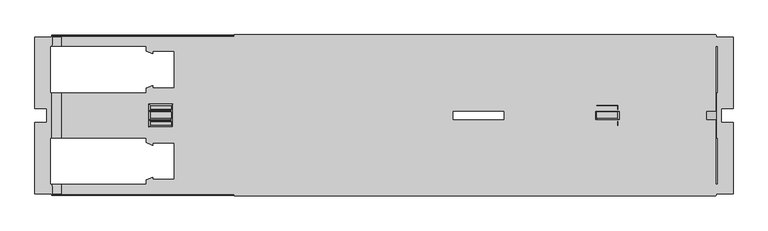
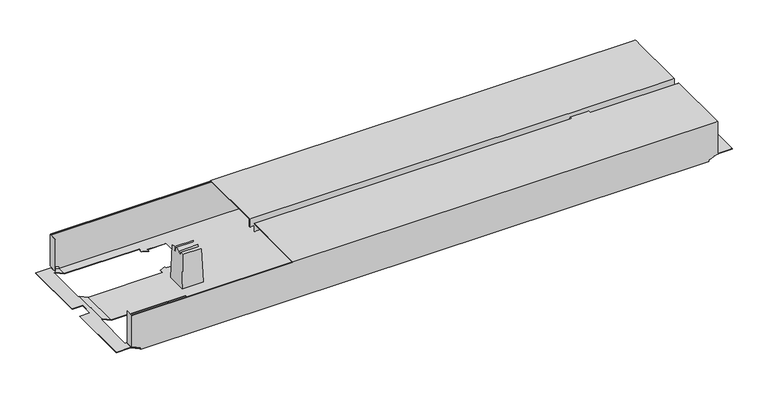
"""IFC4 building model written with IfcOpenShell, lengths in millimetres: furniture geometry."""

from ifc_helpers import new_model, si_unit, origin, place, context, project, spatial, triangles, source, transform, mapped, element, save


def furniture_ad09df2f(model_context):
    return source(origin(), model_context, "Body", "Tessellation", [
        triangles([(2002.0152048, -262.1618406, 526.9999909), (2002.0152048, -262.1618406, 507.9999879), (3030.0151022, -262.1618406, 526.9999909), (3030.0151022, -262.1618406, 507.9999879), (2002.0152048, -423.2618455, 526.9999909), (3030.0151022, -423.2618455, 526.9999909), (2002.0152048, -423.2618455, 507.9999879), (3030.0151022, -423.2618455, 507.9999879), (2002.0152048, -424.261839, 507.9999879), (3030.0151022, -424.261839, 507.9999879), (2002.0152048, -424.261839, 528.0000026), (3030.0151022, -424.261839, 528.0000026), (2002.0152048, -261.161838, 528.0000026), (3030.0151022, -261.161838, 528.0000026), (2002.0152048, -261.161838, 507.9999879), (3030.0151022, -261.161838, 507.9999879), (2002.0152048, -444.0618295, 526.9999909), (2002.0152048, -444.0618295, 507.9999879), (3030.0151022, -444.0618295, 526.9999909), (3030.0151022, -444.0618295, 507.9999879), (2002.0152048, -605.1618435, 526.9999909), (3030.0151022, -605.1618435, 526.9999909), (2002.0152048, -605.1618435, 507.9999879), (3030.0151022, -605.1618435, 507.9999879), (2002.0152048, -606.1618552, 507.9999879), (3030.0151022, -606.1618552, 507.9999879), (2002.0152048, -606.1618552, 528.0000026), (3030.0151022, -606.1618552, 528.0000026), (2002.0152048, -443.0618542, 528.0000026), (3030.0151022, -443.0618542, 528.0000026), (2002.0152048, -443.0618542, 507.9999879), (3030.0151022, -443.0618542, 507.9999879), (1634.5151075, -605.1618435, 432.000012), (3009.5151907, -605.1618435, 432.000012), (1634.5151075, -605.1618435, 435.9999859), (3009.5151907, -605.1618435, 435.9999859), (1614.5151655, -605.1618435, 445.3260155), (3029.5151327, -605.1618435, 445.3260155), (1614.5151655, -605.1618435, 526.0000156), (3029.5151327, -605.1618435, 526.0000156), (3031.5150106, -605.1618435, 445.3260155), (3031.5150106, -605.1618435, 526.0000156), (1612.5151422, -605.1618435, 526.0000156), (1612.5151422, -605.1618435, 445.3260155), (2579.1150083, -394.4618411, 432.000012), (2769.4150205, -492.4618549, 432.000012), (2579.1150083, -472.8618521, 432.000012), (2769.4150205, -570.8618296, 432.000012), (2518.9151945, -483.661847, 432.000012), (1874.6151323, -570.8618296, 432.000012), (2468.9150488, -483.661847, 432.000012), (1874.6151323, -492.4618549, 432.000012), (1874.6151323, -374.8618383, 432.000012), (1814.4151731, -385.6618332, 432.000012), (1828.2152029, -374.8618383, 432.000012), (1814.4151731, -375.3778497, 432.000012), (1828.2152029, -369.6618468, 432.000012), (2532.7152242, -394.4618411, 432.000012), (2518.9151945, -383.6618462, 432.000012), (2769.4150205, -296.4618454, 432.000012), (2769.4150205, -374.8618383, 432.000012), (2532.7152242, -399.6618507, 432.000012), (2518.9151945, -394.0438433, 432.000012), (1874.6151323, -296.4618454, 432.000012), (2468.9150488, -383.6618462, 432.000012), (2532.7152242, -472.8618521, 432.000012), (2518.9151945, -473.2798499, 432.000012), (2532.7152242, -467.6618425, 432.000012), (1814.4151731, -581.6618245, 432.000012), (2829.615125, -581.6618245, 432.000012), (3009.5151907, -601.6618392, 432.000012), (3010.5151296, -581.6618245, 432.000012), (3010.5151296, -601.6618392, 432.000012), (1634.5151075, -601.6618392, 432.000012), (1633.5151685, -581.6618245, 432.000012), (1633.5151685, -601.6618392, 432.000012), (1814.4151731, -571.3778592, 432.000012), (1828.2152029, -570.8618296, 432.000012), (2815.8150953, -570.8618296, 432.000012), (1828.2152029, -565.6618563, 432.000012), (1814.4151731, -481.66186, 432.000012), (1828.2152029, -492.4618549, 432.000012), (1814.4151731, -491.9458253, 432.000012), (1828.2152029, -497.6618282, 432.000012), (1633.5151685, -481.66186, 432.000012), (1633.5151685, -385.6618332, 432.000012), (1828.2152029, -296.4618454, 432.000012), (1814.4151731, -285.6618415, 432.000012), (2829.615125, -285.6618415, 432.000012), (2815.8150953, -296.4618454, 432.000012), (2829.615125, -295.945834, 432.000012), (2815.8150953, -301.6618369, 432.000012), (1828.2152029, -301.6618369, 432.000012), (1814.4151731, -295.945834, 432.000012), (1633.5151685, -285.6618415, 432.000012), (1634.5151075, -265.661845, 432.000012), (1634.5151075, -262.1618406, 432.000012), (3009.5151907, -262.1618406, 432.000012), (1633.5151685, -265.661845, 432.000012), (3009.5151907, -265.661845, 432.000012), (3010.5151296, -285.6618415, 432.000012), (3010.5151296, -265.661845, 432.000012), (2815.8150953, -374.8618383, 432.000012), (2829.615125, -385.6618332, 432.000012), (2829.615125, -481.66186, 432.000012), (2815.8150953, -492.4618549, 432.000012), (2829.615125, -491.9458253, 432.000012), (2815.8150953, -497.6618282, 432.000012), (2815.8150953, -369.6618468, 432.000012), (2829.615125, -375.3778497, 432.000012), (3010.5151296, -385.6618332, 432.000012), (3010.5151296, -481.66186, 432.000012), (2815.8150953, -565.6618563, 432.000012), (2829.615125, -571.3778592, 432.000012), (2579.1150083, -472.8618521, 432.9999873), (2769.4150205, -374.8618383, 432.9999873), (2579.1150083, -394.4618411, 432.9999873), (2769.4150205, -296.4618454, 432.9999873), (2518.9151945, -383.6618462, 432.9999873), (1874.6151323, -296.4618454, 432.9999873), (2468.9150488, -383.6618462, 432.9999873), (1874.6151323, -374.8618383, 432.9999873), (1874.6151323, -492.4618549, 432.9999873), (1814.4151731, -481.66186, 432.9999873), (1828.2152029, -492.4618549, 432.9999873), (1814.4151731, -491.9458253, 432.9999873), (1828.2152029, -497.6618282, 432.9999873), (2532.7152242, -472.8618521, 432.9999873), (2518.9151945, -483.661847, 432.9999873), (2769.4150205, -570.8618296, 432.9999873), (2769.4150205, -492.4618549, 432.9999873), (2532.7152242, -467.6618425, 432.9999873), (2518.9151945, -473.2798499, 432.9999873), (1874.6151323, -570.8618296, 432.9999873), (2468.9150488, -483.661847, 432.9999873), (2532.7152242, -394.4618411, 432.9999873), (2518.9151945, -394.0438433, 432.9999873), (2532.7152242, -399.6618507, 432.9999873), (3010.2930502, -285.6618415, 432.9999873), (3009.5151907, -265.661845, 432.9999873), (2829.615125, -285.6618415, 432.9999873), (3009.5151907, -263.1618431, 432.9999873), (1814.4151731, -285.6618415, 432.9999873), (1634.5151075, -263.1618431, 432.9999873), (1634.5151075, -265.661845, 432.9999873), (3010.2930502, -265.661845, 432.9999873), (1633.7371027, -265.661845, 432.9999873), (1633.7371027, -285.6618415, 432.9999873), (1814.4151731, -295.945834, 432.9999873), (1828.2152029, -296.4618454, 432.9999873), (2815.8150953, -296.4618454, 432.9999873), (1828.2152029, -301.6618369, 432.9999873), (1814.4151731, -385.6618332, 432.9999873), (1828.2152029, -374.8618383, 432.9999873), (1814.4151731, -375.3778497, 432.9999873), (1828.2152029, -369.6618468, 432.9999873), (1633.7371027, -385.6618332, 432.9999873), (1633.7371027, -481.66186, 432.9999873), (1828.2152029, -570.8618296, 432.9999873), (1814.4151731, -581.6618245, 432.9999873), (2829.615125, -581.6618245, 432.9999873), (2815.8150953, -570.8618296, 432.9999873), (2829.615125, -571.3778592, 432.9999873), (2815.8150953, -565.6618563, 432.9999873), (1828.2152029, -565.6618563, 432.9999873), (1814.4151731, -571.3778592, 432.9999873), (1633.7371027, -581.6618245, 432.9999873), (1634.5151075, -601.6618392, 432.9999873), (1634.5151075, -604.1618319, 432.9999873), (3009.5151907, -604.1618319, 432.9999873), (1633.7371027, -601.6618392, 432.9999873), (3009.5151907, -601.6618392, 432.9999873), (3010.2930502, -581.6618245, 432.9999873), (3010.2930502, -601.6618392, 432.9999873), (2815.8150953, -492.4618549, 432.9999873), (2829.615125, -481.66186, 432.9999873), (2829.615125, -385.6618332, 432.9999873), (2815.8150953, -374.8618383, 432.9999873), (2829.615125, -375.3778497, 432.9999873), (2815.8150953, -369.6618468, 432.9999873), (2815.8150953, -497.6618282, 432.9999873), (2829.615125, -491.9458253, 432.9999873), (3010.2930502, -481.66186, 432.9999873), (3010.2930502, -385.6618332, 432.9999873), (2815.8150953, -301.6618369, 432.9999873), (2829.615125, -295.945834, 432.9999873), (1634.5151075, -604.1618319, 435.9999859), (3009.5151907, -604.1618319, 435.9999859), (1614.5151655, -604.1618319, 445.3260155), (3029.5151327, -604.1618319, 445.3260155), (3029.5151327, -604.1618319, 511.9999981), (3030.5150716, -604.1618319, 445.3260155), (3030.5150716, -604.1618319, 526.0000156), (3029.5151327, -604.1618319, 526.0000156), (1614.5151655, -604.1618319, 511.9999981), (1613.5150812, -604.1618319, 445.3260155), (1613.5150812, -604.1618319, 526.0000156), (1614.5151655, -604.1618319, 526.0000156), (1614.5151655, -264.1618457, 526.0000156), (3029.5151327, -264.1618457, 526.0000156), (1614.5151655, -263.8688403, 526.7069856), (3029.5151327, -263.8688403, 526.7069856), (1614.5151655, -263.1618431, 526.9999909), (3029.5151327, -263.1618431, 526.9999909), (1614.5151655, -262.4548459, 526.7069856), (3029.5151327, -262.4548459, 526.7069856), (1614.5151655, -262.1618406, 526.0000156), (3029.5151327, -262.1618406, 526.0000156), (1614.5151655, -264.1618457, 511.9999981), (3029.5151327, -264.1618457, 511.9999981), (1614.5151655, -263.1618431, 511.9999981), (3029.5151327, -263.1618431, 511.9999981), (1614.5151655, -603.1618566, 511.9999981), (3029.5151327, -603.1618566, 511.9999981), (1614.5151655, -603.1618566, 526.0000156), (3029.5151327, -603.1618566, 526.0000156), (1614.5151655, -604.8688382, 526.7069856), (3029.5151327, -604.8688382, 526.7069856), (1614.5151655, -604.1618319, 526.9999909), (3029.5151327, -604.1618319, 526.9999909), (1614.5151655, -603.4548256, 526.7069856), (3029.5151327, -603.4548256, 526.7069856), (1614.5151655, -262.1618406, 445.3260155), (1612.5151422, -262.1618406, 445.3260155), (1612.5151422, -262.1618406, 526.0000156), (3029.5151327, -262.1618406, 445.3260155), (3031.5150106, -262.1618406, 526.0000156), (3031.5150106, -262.1618406, 445.3260155), (1634.5151075, -262.1618406, 435.9999859), (3009.5151907, -262.1618406, 435.9999859), (3029.5151327, -263.1618431, 445.3260155), (1614.5151655, -263.1618431, 445.3260155), (3009.5151907, -263.1618431, 435.9999859), (1634.5151075, -263.1618431, 435.9999859), (3030.5150716, -263.1618431, 445.3260155), (3030.5150716, -263.1618431, 526.0000156), (3029.5151327, -263.1618431, 526.0000156), (1613.5150812, -263.1618431, 445.3260155), (1613.5150812, -263.1618431, 526.0000156), (1614.5151655, -263.1618431, 526.0000156), (3031.9600416, -481.66186, 441.999983), (3031.9600416, -385.6618332, 441.999983), (3034.6151121, -481.66186, 441.999983), (3034.6151121, -385.6618332, 441.999983), (3042.5152113, -418.6618356, 441.999983), (3034.6151121, -285.6618415, 441.999983), (3067.5151388, -265.661845, 441.999983), (3031.9600416, -265.661845, 441.999983), (3031.9600416, -285.6618415, 441.999983), (3067.5151388, -418.6618356, 441.999983), (3042.5152113, -448.6618394, 441.999983), (3034.6151121, -581.6618245, 441.999983), (3067.5151388, -601.6618392, 441.999983), (3031.9600416, -601.6618392, 441.999983), (3067.5151388, -448.6618394, 441.999983), (3031.9600416, -581.6618245, 441.999983), (3034.6151121, -481.66186, 442.9999947), (3034.6151121, -581.6618245, 442.9999947), (3031.7382528, -385.6618332, 442.9999947), (3031.7382528, -481.66186, 442.9999947), (3034.6151121, -285.6618415, 442.9999947), (3034.6151121, -385.6618332, 442.9999947), (3042.5152113, -418.6618356, 442.9999947), (3067.5151388, -265.661845, 442.9999947), (3031.7382528, -265.661845, 442.9999947), (3042.5152113, -448.6618394, 442.9999947), (3067.5151388, -601.6618392, 442.9999947), (3031.7382528, -601.6618392, 442.9999947), (3031.7382528, -581.6618245, 442.9999947), (3067.5151388, -448.6618394, 442.9999947), (3067.5151388, -418.6618356, 442.9999947), (3031.7382528, -285.6618415, 442.9999947), (3030.5150716, -282.1618462, 526.0000156), (3030.5150716, -282.1618462, 445.3260155), (3031.5150106, -282.1618462, 445.3260155), (3031.5150106, -282.1618462, 526.0000156), (3030.5150716, -585.1618289, 445.3260155), (3030.5150716, -585.1618289, 526.0000156), (3031.5150106, -585.1618289, 445.3260155), (3031.5150106, -585.1618289, 526.0000156), (1612.5151422, -585.1618289, 526.0000156), (1612.5151422, -585.1618289, 445.3260155), (1613.5150812, -585.1618289, 526.0000156), (1613.5150812, -585.1618289, 445.3260155), (1612.5151422, -282.1618462, 445.3260155), (1612.5151422, -282.1618462, 526.0000156), (1613.5150812, -282.1618462, 445.3260155), (1613.5150812, -282.1618462, 526.0000156), (1612.2921907, -385.6618332, 442.9999947), (1612.2921907, -481.66186, 442.9999947), (1612.0701112, -481.66186, 441.999983), (1612.0701112, -385.6618332, 441.999983), (1609.4151861, -581.6618245, 441.999983), (1601.5150869, -448.6618394, 441.999983), (1609.4151861, -481.66186, 441.999983), (1601.5150869, -418.6618356, 441.999983), (1609.4151861, -385.6618332, 441.999983), (1609.4151861, -285.6618415, 441.999983), (1576.5151594, -265.661845, 441.999983), (1612.0701112, -265.661845, 441.999983), (1612.0701112, -581.6618245, 441.999983), (1612.0701112, -601.6618392, 441.999983), (1576.5151594, -601.6618392, 441.999983), (1576.5151594, -448.6618394, 441.999983), (1576.5151594, -418.6618356, 441.999983), (1612.0701112, -285.6618415, 441.999983), (1576.5151594, -448.6618394, 442.9999947), (1576.5151594, -601.6618392, 442.9999947), (1601.5150869, -448.6618394, 442.9999947), (1609.4151861, -581.6618245, 442.9999947), (1609.4151861, -481.66186, 442.9999947), (1612.2921907, -601.6618392, 442.9999947), (1612.2921907, -581.6618245, 442.9999947), (1609.4151861, -385.6618332, 442.9999947), (1601.5150869, -418.6618356, 442.9999947), (1609.4151861, -285.6618415, 442.9999947), (1576.5151594, -265.661845, 442.9999947), (1612.2921907, -265.661845, 442.9999947), (1612.2921907, -285.6618415, 442.9999947), (1576.5151594, -418.6618356, 442.9999947), (2821.5470129, -440.5628425, 519.5000127), (2821.8961195, -442.5618484, 509.5000053), (2821.5470129, -426.7608507, 519.5000127), (2821.8961195, -424.7618448, 509.5000053), (2824.5151456, -458.161841, 433.4999931), (2824.5151456, -409.1618341, 433.4999931), (2821.8961195, -444.5618353, 509.5000053), (2821.5821851, -455.2288441, 518.500001), (2821.5821851, -446.3608534, 518.500001), (2821.8961195, -422.7618397, 509.5000053), (2821.5821851, -412.0948491, 518.500001), (2821.5821851, -420.9628398, 518.500001), (2776.4831937, -440.5628425, 519.5000127), (2776.4831937, -426.7608507, 519.5000127), (2776.1340871, -442.5618484, 509.5000053), (2776.1340871, -424.7618448, 509.5000053), (2773.515061, -458.161841, 433.4999931), (2773.515061, -409.1618341, 433.4999931), (2776.1340871, -422.7618397, 509.5000053), (2776.4480215, -412.0948491, 518.500001), (2776.4480215, -420.9628398, 518.500001), (2776.1340871, -444.5618353, 509.5000053), (2776.4480215, -455.2288441, 518.500001), (2776.4480215, -446.3608534, 518.500001), (1867.5471044, -440.5628425, 519.5000127), (1867.8960657, -442.5618484, 509.5000053), (1867.5471044, -426.7608507, 519.5000127), (1867.8960657, -424.7618448, 509.5000053), (1870.5150919, -458.161841, 433.4999931), (1870.5150919, -409.1618341, 433.4999931), (1867.8960657, -444.5618353, 509.5000053), (1867.5821313, -455.2288441, 518.500001), (1867.5821313, -446.3608534, 518.500001), (1867.8960657, -422.7618397, 509.5000053), (1867.5821313, -412.0948491, 518.500001), (1867.5821313, -420.9628398, 518.500001), (1822.48314, -440.5628425, 519.5000127), (1822.48314, -426.7608507, 519.5000127), (1822.1341787, -442.5618484, 509.5000053), (1822.1341787, -424.7618448, 509.5000053), (1819.5151525, -458.161841, 433.4999931), (1819.5151525, -409.1618341, 433.4999931), (1822.1341787, -422.7618397, 509.5000053), (1822.448113, -412.0948491, 518.500001), (1822.448113, -420.9628398, 518.500001), (1822.1341787, -444.5618353, 509.5000053), (1822.448113, -455.2288441, 518.500001), (1822.448113, -446.3608534, 518.500001)], [[1, 2, 3], [3, 2, 4], [5, 1, 6], [6, 1, 3], [7, 5, 8], [8, 5, 6], [9, 7, 10], [10, 7, 8], [11, 9, 12], [12, 9, 10], [13, 11, 14], [14, 11, 12], [15, 13, 16], [16, 13, 14], [2, 15, 4], [4, 15, 16], [2, 1, 15], [15, 1, 13], [13, 1, 5], [13, 5, 11], [11, 5, 9], [9, 5, 7], [4, 16, 3], [14, 3, 16], [6, 3, 14], [12, 6, 14], [10, 6, 12], [10, 8, 6], [17, 18, 19], [19, 18, 20], [21, 17, 22], [22, 17, 19], [23, 21, 24], [24, 21, 22], [25, 23, 26], [26, 23, 24], [27, 25, 28], [28, 25, 26], [29, 27, 30], [30, 27, 28], [31, 29, 32], [32, 29, 30], [18, 31, 20], [20, 31, 32], [18, 17, 31], [31, 17, 29], [29, 17, 21], [29, 21, 27], [27, 21, 25], [25, 21, 23], [20, 32, 19], [30, 19, 32], [22, 19, 30], [28, 22, 30], [26, 22, 28], [26, 24, 22], [33, 34, 35], [35, 34, 36], [37, 35, 36], [37, 36, 38], [37, 38, 39], [39, 38, 40], [40, 38, 41], [40, 41, 42], [39, 43, 37], [37, 43, 44], [45, 46, 47], [47, 46, 48], [49, 47, 48], [50, 49, 48], [49, 50, 51], [51, 50, 52], [51, 52, 53], [53, 52, 54], [53, 54, 55], [55, 54, 56], [57, 55, 56], [45, 58, 59], [60, 45, 59], [45, 60, 61], [62, 63, 58], [58, 63, 59], [60, 59, 64], [64, 59, 65], [64, 65, 53], [53, 65, 51], [47, 49, 66], [66, 49, 67], [68, 66, 67], [33, 69, 34], [34, 69, 70], [34, 70, 71], [71, 70, 72], [71, 72, 73], [33, 74, 69], [69, 74, 75], [75, 74, 76], [69, 77, 78], [69, 78, 50], [69, 50, 70], [70, 50, 48], [70, 48, 79], [77, 80, 78], [54, 52, 81], [81, 52, 82], [81, 82, 83], [83, 82, 84], [85, 86, 81], [81, 86, 54], [64, 87, 88], [89, 64, 88], [64, 89, 60], [60, 89, 90], [90, 89, 91], [92, 90, 91], [93, 94, 87], [87, 94, 88], [95, 96, 88], [88, 96, 97], [98, 88, 97], [95, 99, 96], [88, 98, 89], [89, 98, 100], [89, 100, 101], [101, 100, 102], [61, 103, 104], [61, 104, 105], [61, 105, 46], [46, 105, 106], [106, 105, 107], [108, 106, 107], [109, 110, 103], [103, 110, 104], [111, 112, 104], [104, 112, 105], [113, 114, 79], [79, 114, 70], [45, 61, 46], [115, 116, 117], [117, 116, 118], [119, 117, 118], [120, 119, 118], [119, 120, 121], [121, 120, 122], [121, 122, 123], [123, 122, 124], [123, 124, 125], [125, 124, 126], [127, 125, 126], [115, 128, 129], [130, 115, 129], [115, 130, 131], [132, 133, 128], [128, 133, 129], [130, 129, 134], [134, 129, 135], [134, 135, 123], [123, 135, 121], [117, 119, 136], [136, 119, 137], [138, 136, 137], [139, 140, 141], [141, 140, 142], [143, 141, 142], [144, 143, 142], [143, 144, 145], [139, 146, 140], [147, 148, 145], [145, 148, 143], [143, 149, 150], [143, 150, 120], [143, 120, 141], [141, 120, 118], [141, 118, 151], [149, 152, 150], [124, 122, 153], [153, 122, 154], [153, 154, 155], [155, 154, 156], [157, 158, 153], [153, 158, 124], [134, 159, 160], [161, 134, 160], [134, 161, 130], [130, 161, 162], [162, 161, 163], [164, 162, 163], [165, 166, 159], [159, 166, 160], [167, 168, 160], [160, 168, 169], [170, 160, 169], [167, 171, 168], [160, 170, 161], [161, 170, 172], [161, 172, 173], [173, 172, 174], [131, 175, 176], [131, 176, 177], [131, 177, 116], [116, 177, 178], [178, 177, 179], [180, 178, 179], [181, 182, 175], [175, 182, 176], [183, 184, 176], [176, 184, 177], [185, 186, 151], [151, 186, 141], [115, 131, 116], [169, 187, 170], [170, 187, 188], [188, 187, 189], [190, 188, 189], [190, 189, 191], [190, 191, 192], [192, 191, 193], [193, 191, 194], [191, 189, 195], [195, 189, 196], [197, 195, 196], [197, 198, 195], [199, 200, 201], [201, 200, 202], [201, 202, 203], [203, 202, 204], [203, 204, 205], [205, 204, 206], [205, 206, 207], [207, 206, 208], [209, 210, 199], [199, 210, 200], [211, 212, 209], [209, 212, 210], [213, 214, 195], [195, 214, 191], [215, 216, 213], [213, 216, 214], [39, 40, 217], [217, 40, 218], [217, 218, 219], [219, 218, 220], [219, 220, 221], [221, 220, 222], [221, 222, 215], [215, 222, 216], [208, 223, 207], [207, 223, 224], [207, 224, 225], [223, 208, 226], [226, 208, 227], [226, 227, 228], [223, 226, 229], [229, 226, 230], [229, 230, 97], [97, 230, 98], [231, 232, 233], [233, 232, 234], [233, 234, 144], [232, 231, 212], [212, 231, 235], [236, 212, 235], [236, 237, 212], [212, 211, 232], [232, 211, 238], [238, 211, 239], [239, 211, 240], [144, 142, 233], [45, 47, 117], [117, 47, 115], [47, 66, 115], [115, 66, 128], [133, 132, 67], [67, 132, 68], [67, 49, 133], [133, 49, 129], [49, 51, 129], [129, 51, 135], [58, 45, 136], [136, 45, 117], [137, 119, 63], [63, 119, 59], [63, 62, 137], [137, 62, 138], [65, 59, 121], [121, 59, 119], [62, 58, 138], [138, 58, 136], [51, 65, 135], [135, 65, 121], [132, 128, 68], [68, 128, 66], [46, 106, 131], [131, 106, 175], [106, 108, 175], [175, 108, 181], [48, 46, 130], [130, 46, 131], [108, 107, 181], [181, 107, 182], [107, 105, 182], [182, 105, 176], [70, 114, 161], [161, 114, 163], [114, 113, 163], [163, 113, 164], [113, 79, 164], [164, 79, 162], [79, 48, 162], [162, 48, 130], [109, 103, 180], [180, 103, 178], [103, 61, 178], [178, 61, 116], [104, 110, 177], [177, 110, 179], [110, 109, 179], [179, 109, 180], [61, 60, 116], [116, 60, 118], [60, 90, 118], [118, 90, 151], [91, 89, 186], [186, 89, 141], [186, 185, 91], [91, 185, 92], [185, 151, 92], [92, 151, 90], [241, 242, 243], [243, 242, 244], [243, 244, 245], [245, 244, 246], [245, 246, 247], [247, 246, 248], [248, 246, 249], [247, 250, 245], [245, 251, 243], [252, 243, 251], [253, 252, 251], [252, 253, 254], [251, 255, 253], [254, 256, 252], [243, 252, 257], [257, 252, 258], [111, 242, 112], [112, 242, 241], [259, 184, 260], [260, 184, 183], [246, 244, 261], [261, 244, 262], [260, 257, 259], [259, 257, 262], [262, 257, 263], [261, 262, 263], [264, 261, 263], [261, 264, 265], [263, 257, 266], [266, 257, 258], [266, 258, 267], [267, 258, 268], [268, 258, 269], [267, 270, 266], [263, 271, 264], [265, 272, 261], [273, 236, 274], [274, 236, 235], [275, 228, 276], [276, 228, 227], [102, 248, 101], [101, 248, 249], [265, 146, 272], [272, 146, 139], [264, 271, 247], [247, 271, 250], [271, 263, 250], [250, 263, 245], [270, 267, 255], [255, 267, 253], [255, 251, 270], [270, 251, 266], [263, 266, 245], [245, 266, 251], [72, 256, 73], [73, 256, 254], [174, 268, 173], [173, 268, 269], [277, 192, 278], [278, 192, 193], [277, 278, 279], [279, 278, 280], [41, 279, 42], [42, 279, 280], [277, 279, 192], [41, 192, 279], [192, 41, 38], [38, 190, 192], [275, 276, 274], [274, 276, 273], [81, 83, 124], [124, 83, 126], [83, 84, 126], [126, 84, 127], [82, 52, 125], [125, 52, 123], [52, 50, 123], [123, 50, 134], [50, 78, 134], [134, 78, 159], [166, 165, 77], [77, 165, 80], [77, 69, 166], [166, 69, 160], [78, 80, 159], [159, 80, 165], [84, 82, 127], [127, 82, 125], [53, 55, 122], [122, 55, 154], [55, 57, 154], [154, 57, 156], [57, 56, 156], [156, 56, 155], [152, 149, 93], [93, 149, 94], [93, 87, 152], [152, 87, 150], [87, 64, 150], [150, 64, 120], [88, 94, 143], [143, 94, 149], [56, 54, 155], [155, 54, 153], [64, 53, 120], [120, 53, 122], [43, 281, 44], [44, 281, 282], [283, 197, 284], [284, 197, 196], [224, 285, 225], [225, 285, 286], [287, 285, 238], [224, 238, 285], [223, 238, 224], [223, 232, 238], [239, 288, 238], [238, 288, 287], [157, 289, 158], [158, 289, 290], [85, 291, 86], [86, 291, 292], [293, 294, 295], [295, 294, 296], [295, 296, 297], [298, 297, 296], [299, 298, 296], [298, 299, 300], [301, 302, 293], [293, 302, 303], [294, 293, 303], [294, 303, 304], [296, 305, 299], [300, 306, 298], [297, 292, 295], [295, 292, 291], [307, 308, 309], [309, 308, 310], [309, 310, 311], [308, 312, 310], [310, 312, 313], [290, 289, 311], [311, 289, 314], [311, 314, 315], [315, 314, 316], [315, 316, 317], [317, 316, 318], [318, 316, 319], [317, 320, 315], [315, 309, 311], [297, 298, 314], [314, 298, 316], [293, 295, 310], [310, 295, 311], [283, 284, 281], [281, 284, 282], [312, 171, 313], [313, 171, 167], [143, 148, 88], [88, 148, 95], [95, 148, 306], [319, 306, 148], [306, 319, 316], [316, 298, 306], [145, 96, 147], [147, 96, 99], [300, 147, 99], [299, 317, 300], [318, 300, 317], [147, 300, 318], [140, 100, 142], [98, 142, 100], [230, 142, 98], [230, 233, 142], [248, 102, 146], [146, 102, 100], [146, 100, 140], [146, 265, 248], [264, 248, 265], [248, 264, 247], [177, 184, 104], [104, 184, 111], [111, 184, 242], [259, 242, 184], [242, 259, 262], [262, 244, 242], [257, 260, 241], [183, 241, 260], [241, 183, 112], [112, 183, 105], [105, 183, 176], [241, 243, 257], [161, 173, 70], [70, 173, 72], [72, 173, 256], [269, 256, 173], [256, 269, 258], [258, 252, 256], [267, 268, 254], [174, 254, 268], [254, 174, 73], [73, 174, 71], [71, 174, 172], [254, 253, 267], [168, 74, 169], [33, 169, 74], [35, 169, 33], [35, 187, 169], [95, 306, 99], [99, 306, 300], [76, 302, 75], [75, 302, 301], [147, 318, 148], [148, 318, 319], [297, 314, 292], [292, 314, 289], [157, 292, 289], [153, 54, 157], [86, 157, 54], [292, 157, 86], [293, 310, 301], [301, 310, 313], [167, 301, 313], [160, 69, 167], [75, 167, 69], [301, 167, 75], [312, 302, 171], [76, 171, 302], [171, 76, 74], [312, 308, 302], [302, 308, 303], [74, 168, 171], [304, 303, 307], [307, 303, 308], [307, 309, 304], [304, 309, 294], [309, 315, 294], [294, 315, 296], [315, 320, 296], [296, 320, 305], [320, 317, 305], [305, 317, 299], [124, 158, 81], [81, 158, 85], [85, 158, 291], [290, 291, 158], [291, 290, 311], [311, 295, 291], [35, 37, 187], [187, 37, 189], [189, 37, 196], [44, 196, 37], [282, 196, 44], [282, 284, 196], [283, 281, 197], [43, 197, 281], [39, 197, 43], [39, 198, 197], [39, 217, 198], [198, 217, 219], [198, 219, 221], [221, 215, 198], [195, 198, 213], [213, 198, 215], [214, 216, 191], [191, 216, 194], [216, 222, 194], [194, 222, 220], [194, 220, 218], [218, 40, 194], [194, 40, 193], [193, 40, 42], [280, 193, 42], [280, 278, 193], [38, 36, 190], [190, 36, 188], [188, 36, 170], [34, 170, 36], [71, 170, 34], [71, 172, 170], [246, 261, 249], [249, 261, 272], [139, 249, 272], [141, 89, 139], [101, 139, 89], [249, 139, 101], [230, 226, 233], [233, 226, 231], [231, 226, 235], [228, 235, 226], [275, 235, 228], [275, 274, 235], [273, 276, 236], [227, 236, 276], [208, 236, 227], [208, 237, 236], [208, 206, 237], [237, 206, 204], [237, 204, 202], [202, 200, 237], [212, 237, 210], [210, 237, 200], [209, 199, 211], [211, 199, 240], [199, 201, 240], [240, 201, 203], [240, 203, 205], [205, 207, 240], [240, 207, 239], [225, 239, 207], [286, 239, 225], [286, 288, 239], [286, 285, 288], [288, 285, 287], [223, 229, 232], [232, 229, 234], [234, 229, 144], [97, 144, 229], [96, 144, 97], [96, 145, 144], [323, 321, 322], [323, 322, 324], [324, 322, 325], [324, 325, 326], [322, 327, 325], [325, 327, 328], [328, 327, 329], [324, 326, 330], [331, 330, 326], [330, 331, 332], [335, 333, 334], [335, 334, 336], [337, 335, 336], [337, 336, 338], [338, 336, 339], [338, 339, 340], [340, 339, 341], [335, 337, 342], [343, 342, 337], [342, 343, 344], [321, 323, 333], [333, 323, 334], [322, 321, 333], [322, 333, 335], [334, 323, 324], [334, 324, 336], [324, 330, 336], [336, 330, 339], [330, 332, 341], [330, 341, 339], [332, 331, 341], [341, 331, 340], [340, 331, 326], [340, 326, 338], [327, 322, 342], [342, 322, 335], [344, 329, 327], [344, 327, 342], [328, 329, 343], [343, 329, 344], [325, 328, 343], [325, 343, 337], [326, 325, 338], [338, 325, 337], [347, 345, 346], [347, 346, 348], [348, 346, 349], [348, 349, 350], [346, 351, 349], [349, 351, 352], [352, 351, 353], [348, 350, 354], [355, 354, 350], [354, 355, 356], [359, 357, 358], [359, 358, 360], [361, 359, 360], [361, 360, 362], [362, 360, 363], [362, 363, 364], [364, 363, 365], [359, 361, 366], [367, 366, 361], [366, 367, 368], [345, 347, 357], [357, 347, 358], [346, 345, 357], [346, 357, 359], [358, 347, 348], [358, 348, 360], [348, 354, 360], [360, 354, 363], [354, 356, 365], [354, 365, 363], [356, 355, 365], [365, 355, 364], [364, 355, 350], [364, 350, 362], [351, 346, 366], [366, 346, 359], [368, 353, 351], [368, 351, 366], [352, 353, 367], [367, 353, 368], [349, 352, 367], [349, 367, 361], [350, 349, 362], [362, 349, 361]]),
    ])


if __name__ == "__main__":
    model = new_model("IFC4")
    model_context = context("Model", 3, world=origin())
    ifc_project = project(units=[si_unit("LENGTHUNIT", "METRE", prefix="MILLI")], contexts=[model_context])
    site = spatial("IfcSite", under=ifc_project)
    building = spatial("IfcBuilding", under=site)
    placement = place(None, origin())
    furniture_shape = furniture_ad09df2f(model_context)
    element("IfcFurniture", 1, at=placement, inside=building, context=model_context, shape_type="MappedRepresentation", body=[
        mapped(furniture_shape, transform((0.0, 0.0, 0.0), x_axis=(1.0, 0.0, 0.0), y_axis=(0.0, 1.0, 0.0), z_axis=(0.0, 0.0, 1.0))),
    ])
    save(model, "model.ifc")
